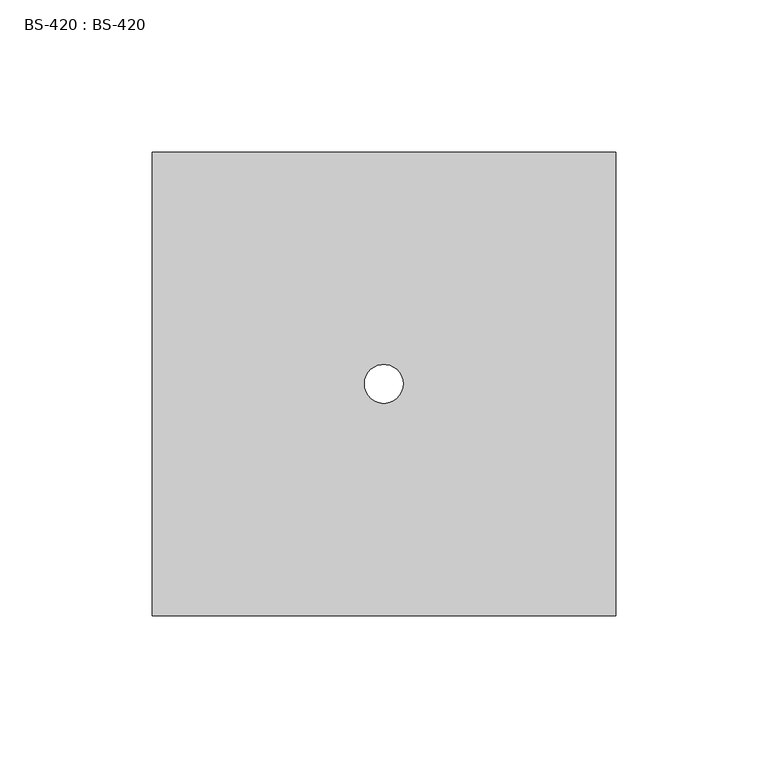
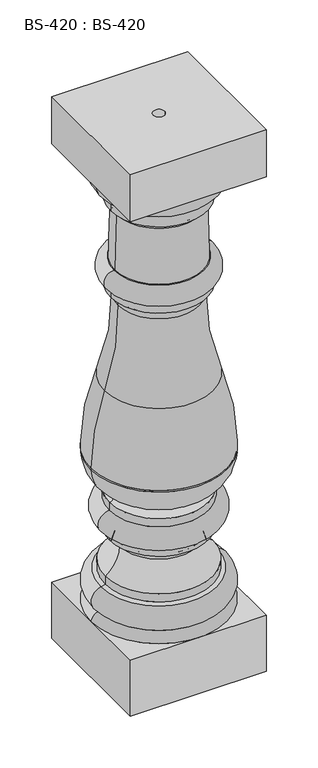
"""IFC4 building model written with IfcOpenShell, lengths in millimetres: proxy geometry, BS-420 : BS-420."""

from ifc_helpers import new_model, si_unit, point, frame, origin, place, context, project, spatial, polyline, circle_curve, ellipse_curve, trimmed, source, transform, mapped, element, save
from ifc_brep_helpers import plane_surface, cylinder_surface, revolved_surface, advanced_brep


def bs_420_bs_420_02cc33e7(model_context):
    return source(origin(), model_context, "Body", "AdvancedBrep", [
        advanced_brep(
        [(-76.2, -76.2, 585.7875), (76.2, -76.2, 585.7875), (76.2, -76.2, 641.35), (-76.2, -76.2, 641.35), (-76.2, 76.2, 585.7875), (-76.2, 76.2, 641.35), (76.2, 76.2, 641.35), (76.2, 76.2, 585.7875), (71.4375, 0.0, 585.7875), (-71.4375, 0.0, 585.7875), (-6.35, 0.0, 641.35), (6.35, 0.0, 641.35), (6.35, 0.0, 0.0), (-6.35, 0.0, 0.0), (-71.4375, 0.0, 583.5382093), (71.4375, 0.0, 583.5382093), (53.975, 0.0, 557.2125), (-53.975, 0.0, 557.2125), (-66.675, 0.0, 75.40625), (66.675, 0.0, 75.40625), (76.2, 0.0, 66.675), (0.0, 76.2, 66.675), (-76.2, 0.0, 66.675), (0.0, -76.2, 66.675), (-66.675, 0.0, 76.2), (66.675, 0.0, 76.2), (-65.3271183, 0.0, 103.5438494), (65.3271183, 0.0, 103.5438494), (-60.325, 0.0, 104.775), (60.325, 0.0, 104.775), (-60.325, 0.0, 114.3), (60.325, 0.0, 114.3), (-44.45, 0.0, 144.4625), (44.45, 0.0, 144.4625), (-55.5625, 0.0, 155.575), (55.5625, 0.0, 155.575), (-55.5625, 0.0, 165.1), (55.5625, 0.0, 165.1), (-55.5625, 0.0, 190.5), (55.5625, 0.0, 190.5), (-55.5625, 0.0, 200.025), (55.5625, 0.0, 200.025), (-52.9093426, 0.0, 208.7425173), (52.9093426, 0.0, 208.7425173), (-58.1619423, 0.0, 212.2661363), (58.1619423, 0.0, 212.2661363), (-76.2, 0.0, 247.65), (76.2, 0.0, 247.65), (76.2, 0.0, 246.0874945), (-76.2, 0.0, 246.0874945), (-53.975, 0.0, 450.85), (53.975, 0.0, 450.85), (53.975, 0.0, 442.2026055), (-53.975, 0.0, 442.2026055), (-50.6015625, 0.0, 472.9571047), (50.6015625, 0.0, 472.9571047), (53.975, 0.0, 544.5125), (-53.975, 0.0, 544.5125), (-47.6268924, 0.0, 538.0074835), (47.6268924, 0.0, 538.0074835), (49.2153789, 0.0, 472.9571047), (-49.2153789, 0.0, 472.9571047), (-61.11875, 0.0, 334.16875), (61.11875, 0.0, 334.16875), (-45.9073354, 0.0, 429.8351947), (45.9073354, 0.0, 429.8351947), (-76.2, -76.2, 0.0), (76.2, -76.2, 0.0), (76.2, -76.2, 66.675), (-76.2, -76.2, 66.675), (-76.2, 76.2, 0.0), (-76.2, 76.2, 66.675), (76.2, 76.2, 66.675), (76.2, 76.2, 0.0)],
        [
            (0, 1),
            (1, 2),
            (2, 3),
            (3, 0),
            (4, 5),
            (5, 6),
            (6, 7),
            (7, 4),
            (0, 4),
            (7, 1),
            (8, 9, circle_curve(frame((0.0, 0.0, 585.7875), z_axis=(0.0, 0.0, 1.0), x_axis=(1.0, 0.0, 0.0)), 71.4375)),
            (9, 8, circle_curve(frame((0.0, 0.0, 585.7875), z_axis=(0.0, 0.0, 1.0), x_axis=(1.0, 0.0, 0.0)), 71.4375)),
            (6, 2),
            (5, 3),
            (10, 11, circle_curve(frame((0.0, 0.0, 641.35), z_axis=(0.0, 0.0, -1.0), x_axis=(1.0, 0.0, 0.0)), 6.35)),
            (11, 10, circle_curve(frame((0.0, 0.0, 641.35), z_axis=(0.0, 0.0, -1.0), x_axis=(1.0, 0.0, 0.0)), 6.35)),
            (12, 11),
            (10, 13),
            (13, 12, circle_curve(frame((0.0, 0.0, 0.0), z_axis=(0.0, 0.0, -1.0), x_axis=(1.0, 0.0, 0.0)), 6.35)),
            (12, 13, circle_curve(frame((0.0, 0.0, 0.0), z_axis=(0.0, 0.0, -1.0), x_axis=(1.0, 0.0, 0.0)), 6.35)),
            (14, 15, circle_curve(frame((0.0, 0.0, 583.5382093), z_axis=(0.0, 0.0, -1.0), x_axis=(1.0, 0.0, 0.0)), 71.4375)),
            (15, 16, circle_curve(frame((42.8625, 0.0, 583.5382093), z_axis=(0.0, 1.0, 0.0), x_axis=(1.0, 0.0, 0.0)), 28.575)),
            (16, 17, circle_curve(frame((0.0, 0.0, 557.2125), z_axis=(0.0, 0.0, 1.0), x_axis=(1.0, 0.0, 0.0)), 53.975)),
            (17, 14, circle_curve(frame((-42.8625, 0.0, 583.5382093), z_axis=(0.0, 1.0, 0.0), x_axis=(-1.0, 0.0, 0.0)), 28.575)),
            (15, 14, circle_curve(frame((0.0, 0.0, 583.5382093), z_axis=(0.0, 0.0, -1.0), x_axis=(1.0, 0.0, 0.0)), 71.4375)),
            (17, 16, circle_curve(frame((0.0, 0.0, 557.2125), z_axis=(0.0, 0.0, 1.0), x_axis=(1.0, 0.0, 0.0)), 53.975)),
            (14, 9),
            (8, 15),
            (18, 19, circle_curve(frame((0.0, 0.0, 75.40625), z_axis=(0.0, 0.0, -1.0), x_axis=(1.0, 0.0, 0.0)), 66.675)),
            (19, 20, circle_curve(frame((65.8499207, 0.0, 64.9450839), z_axis=(0.0, 1.0, 0.0), x_axis=(0.07862651230865338, 0.0, 0.9969041436177187)), 10.4936529)),
            (20, 21, circle_curve(frame((0.0, 0.0, 66.675), z_axis=(0.0, 0.0, 1.0), x_axis=(1.0, 0.0, 0.0)), 76.2)),
            (21, 22, circle_curve(frame((0.0, 0.0, 66.675), z_axis=(0.0, 0.0, 1.0), x_axis=(1.0, 0.0, 0.0)), 76.2)),
            (22, 18, circle_curve(frame((-65.8499207, 0.0, 64.9450839), z_axis=(0.0, 1.0, 0.0), x_axis=(-0.07862651230865016, 0.0, 0.996904143617719)), 10.4936529)),
            (19, 18, circle_curve(frame((0.0, 0.0, 75.40625), z_axis=(0.0, 0.0, -1.0), x_axis=(1.0, 0.0, 0.0)), 66.675)),
            (22, 23, circle_curve(frame((0.0, 0.0, 66.675), z_axis=(0.0, 0.0, 1.0), x_axis=(1.0, 0.0, 0.0)), 76.2)),
            (23, 20, circle_curve(frame((0.0, 0.0, 66.675), z_axis=(0.0, 0.0, 1.0), x_axis=(1.0, 0.0, 0.0)), 76.2)),
            (18, 24),
            (24, 25, circle_curve(frame((0.0, 0.0, 76.2), z_axis=(0.0, 0.0, -1.0), x_axis=(1.0, 0.0, 0.0)), 66.675)),
            (25, 19),
            (25, 24, circle_curve(frame((0.0, 0.0, 76.2), z_axis=(0.0, 0.0, -1.0), x_axis=(1.0, 0.0, 0.0)), 66.675)),
            (24, 26, circle_curve(frame((-61.9125, 0.0, 89.6703842), z_axis=(0.0, 1.0, 0.0), x_axis=(-0.23899340562715518, 0.0, 0.9710211903283749)), 14.2875)),
            (26, 27, circle_curve(frame((0.0, 0.0, 103.5438494), z_axis=(0.0, 0.0, -1.0), x_axis=(1.0, 0.0, 0.0)), 65.3271183)),
            (27, 25, circle_curve(frame((61.9125, 0.0, 89.6703842), z_axis=(0.0, 1.0, 0.0), x_axis=(0.23899340562715835, 0.0, 0.9710211903283742)), 14.2875)),
            (27, 26, circle_curve(frame((0.0, 0.0, 103.5438494), z_axis=(0.0, 0.0, -1.0), x_axis=(1.0, 0.0, 0.0)), 65.3271183)),
            (26, 28),
            (28, 29, circle_curve(frame((0.0, 0.0, 104.775), z_axis=(0.0, 0.0, -1.0), x_axis=(1.0, 0.0, 0.0)), 60.325)),
            (29, 27),
            (29, 28, circle_curve(frame((0.0, 0.0, 104.775), z_axis=(0.0, 0.0, -1.0), x_axis=(1.0, 0.0, 0.0)), 60.325)),
            (28, 30),
            (30, 31, circle_curve(frame((0.0, 0.0, 114.3), z_axis=(0.0, 0.0, -1.0), x_axis=(1.0, 0.0, 0.0)), 60.325)),
            (31, 29),
            (31, 30, circle_curve(frame((0.0, 0.0, 114.3), z_axis=(0.0, 0.0, -1.0), x_axis=(1.0, 0.0, 0.0)), 60.325)),
            (30, 32, circle_curve(frame((-81.041875, 0.0, 144.4625), z_axis=(0.0, -1.0, 0.0), x_axis=(-1.0, 0.0, 0.0)), 36.591875)),
            (32, 33, circle_curve(frame((0.0, 0.0, 144.4625), z_axis=(0.0, 0.0, -1.0), x_axis=(1.0, 0.0, 0.0)), 44.45)),
            (33, 31, circle_curve(frame((81.041875, 0.0, 144.4625), z_axis=(0.0, -1.0, 0.0), x_axis=(1.0, 0.0, 0.0)), 36.591875)),
            (33, 32, circle_curve(frame((0.0, 0.0, 144.4625), z_axis=(0.0, 0.0, -1.0), x_axis=(1.0, 0.0, 0.0)), 44.45)),
            (32, 34, circle_curve(frame((-55.5625, 0.0, 144.4625), z_axis=(0.0, -1.0, 0.0), x_axis=(1.5594569120853752e-11, 0.0, 1.0)), 11.1125)),
            (34, 35, circle_curve(frame((0.0, 0.0, 155.575), z_axis=(0.0, 0.0, -1.0), x_axis=(1.0, 0.0, 0.0)), 55.5625)),
            (35, 33, circle_curve(frame((55.5625, 0.0, 144.4625), z_axis=(0.0, -1.0, 0.0), x_axis=(-1.5591337744913756e-11, 0.0, 1.0)), 11.1125)),
            (35, 34, circle_curve(frame((0.0, 0.0, 155.575), z_axis=(0.0, 0.0, -1.0), x_axis=(1.0, 0.0, 0.0)), 55.5625)),
            (34, 36),
            (36, 37, circle_curve(frame((0.0, 0.0, 165.1), z_axis=(0.0, 0.0, -1.0), x_axis=(1.0, 0.0, 0.0)), 55.5625)),
            (37, 35),
            (37, 36, circle_curve(frame((0.0, 0.0, 165.1), z_axis=(0.0, 0.0, -1.0), x_axis=(1.0, 0.0, 0.0)), 55.5625)),
            (36, 38, circle_curve(frame((-55.5625, 0.0, 177.8), z_axis=(0.0, 1.0, 0.0), x_axis=(0.0, 0.0, 1.0)), 12.7)),
            (38, 39, circle_curve(frame((0.0, 0.0, 190.5), z_axis=(0.0, 0.0, -1.0), x_axis=(1.0, 0.0, 0.0)), 55.5625)),
            (39, 37, circle_curve(frame((55.5625, 0.0, 177.8), z_axis=(0.0, 1.0, 0.0), x_axis=(0.0, 0.0, 1.0)), 12.7)),
            (39, 38, circle_curve(frame((0.0, 0.0, 190.5), z_axis=(0.0, 0.0, -1.0), x_axis=(1.0, 0.0, 0.0)), 55.5625)),
            (38, 40),
            (40, 41, circle_curve(frame((0.0, 0.0, 200.025), z_axis=(0.0, 0.0, -1.0), x_axis=(1.0, 0.0, 0.0)), 55.5625)),
            (41, 39),
            (41, 40, circle_curve(frame((0.0, 0.0, 200.025), z_axis=(0.0, 0.0, -1.0), x_axis=(1.0, 0.0, 0.0)), 55.5625)),
            (40, 42, circle_curve(frame((-55.5625, 0.0, 204.7875), z_axis=(0.0, -1.0, 0.0), x_axis=(0.5570934256055582, 0.0, 0.8304498269896048)), 4.7625)),
            (42, 43, circle_curve(frame((0.0, 0.0, 208.7425173), z_axis=(0.0, 0.0, -1.0), x_axis=(1.0, 0.0, 0.0)), 52.9093426)),
            (43, 41, circle_curve(frame((55.5625, 0.0, 204.7875), z_axis=(0.0, -1.0, 0.0), x_axis=(-0.5570934256055555, 0.0, 0.8304498269896066)), 4.7625)),
            (43, 42, circle_curve(frame((0.0, 0.0, 208.7425173), z_axis=(0.0, 0.0, -1.0), x_axis=(1.0, 0.0, 0.0)), 52.9093426)),
            (42, 44),
            (44, 45, circle_curve(frame((0.0, 0.0, 212.2661363), z_axis=(0.0, 0.0, -1.0), x_axis=(1.0, 0.0, 0.0)), 58.1619423)),
            (45, 43),
            (45, 44, circle_curve(frame((0.0, 0.0, 212.2661363), z_axis=(0.0, 0.0, -1.0), x_axis=(1.0, 0.0, 0.0)), 58.1619423)),
            (46, 47, circle_curve(frame((0.0, 0.0, 247.65), z_axis=(0.0, 0.0, -1.0), x_axis=(1.0, 0.0, 0.0)), 76.2)),
            (47, 48),
            (48, 49, circle_curve(frame((0.0, 0.0, 246.0874945), z_axis=(0.0, 0.0, 1.0), x_axis=(1.0, 0.0, 0.0)), 76.2)),
            (49, 46),
            (47, 46, circle_curve(frame((0.0, 0.0, 247.65), z_axis=(0.0, 0.0, -1.0), x_axis=(1.0, 0.0, 0.0)), 76.2)),
            (49, 48, circle_curve(frame((0.0, 0.0, 246.0874945), z_axis=(0.0, 0.0, 1.0), x_axis=(1.0, 0.0, 0.0)), 76.2)),
            (50, 51, circle_curve(frame((0.0, 0.0, 450.85), z_axis=(0.0, 0.0, -1.0), x_axis=(1.0, 0.0, 0.0)), 53.975)),
            (51, 52),
            (52, 53, circle_curve(frame((0.0, 0.0, 442.2026055), z_axis=(0.0, 0.0, 1.0), x_axis=(1.0, 0.0, 0.0)), 53.975)),
            (53, 50),
            (51, 50, circle_curve(frame((0.0, 0.0, 450.85), z_axis=(0.0, 0.0, -1.0), x_axis=(1.0, 0.0, 0.0)), 53.975)),
            (53, 52, circle_curve(frame((0.0, 0.0, 442.2026055), z_axis=(0.0, 0.0, 1.0), x_axis=(1.0, 0.0, 0.0)), 53.975)),
            (50, 54, circle_curve(frame((-50.6015625, 0.0, 461.6461672), z_axis=(0.0, 1.0000000000000002, 0.0), x_axis=(-0.06660414290134899, 0.0, 0.9977794787168038)), 11.3109375)),
            (54, 55, circle_curve(frame((0.0, 0.0, 472.9571047), z_axis=(0.0, 0.0, -1.0), x_axis=(1.0, 0.0, 0.0)), 50.6015625)),
            (55, 51, circle_curve(frame((50.6015625, 0.0, 461.6461672), z_axis=(0.0, 1.0000000000000002, 0.0), x_axis=(0.0666041429013522, 0.0, 0.9977794787168036)), 11.3109375)),
            (55, 54, circle_curve(frame((0.0, 0.0, 472.9571047), z_axis=(0.0, 0.0, -1.0), x_axis=(1.0, 0.0, 0.0)), 50.6015625)),
            (16, 56),
            (56, 57, circle_curve(frame((0.0, 0.0, 544.5125), z_axis=(0.0, 0.0, 1.0), x_axis=(1.0, 0.0, 0.0)), 53.975)),
            (57, 17),
            (57, 56, circle_curve(frame((0.0, 0.0, 544.5125), z_axis=(0.0, 0.0, 1.0), x_axis=(1.0, 0.0, 0.0)), 53.975)),
            (58, 59, circle_curve(frame((0.0, 0.0, 538.0074835), z_axis=(0.0, 0.0, -1.0), x_axis=(1.0, 0.0, 0.0)), 47.6268924)),
            (59, 60),
            (60, 61, circle_curve(frame((0.0, 0.0, 472.9571047), z_axis=(0.0, 0.0, 1.0), x_axis=(1.0, 0.0, 0.0)), 49.2153789)),
            (61, 58),
            (59, 58, circle_curve(frame((0.0, 0.0, 538.0074835), z_axis=(0.0, 0.0, -1.0), x_axis=(1.0, 0.0, 0.0)), 47.6268924)),
            (61, 60, circle_curve(frame((0.0, 0.0, 472.9571047), z_axis=(0.0, 0.0, 1.0), x_axis=(1.0, 0.0, 0.0)), 49.2153789)),
            (56, 59, circle_curve(frame((53.975, 0.0, 538.1625), z_axis=(0.0, -1.0, 0.0), x_axis=(1.0, 0.0, 0.0)), 6.35)),
            (58, 57, circle_curve(frame((-53.975, 0.0, 538.1625), z_axis=(0.0, -1.0, 0.0), x_axis=(-1.0, 0.0, 0.0)), 6.35)),
            (54, 61),
            (60, 55),
            (44, 49, circle_curve(frame((-35.4734477, 0.0, 246.0874945), z_axis=(0.0, 1.0, 0.0), x_axis=(-1.0, 0.0, 0.0)), 40.7265523)),
            (48, 45, circle_curve(frame((35.4734477, 0.0, 246.0874945), z_axis=(0.0, 1.0, 0.0), x_axis=(1.0, 0.0, 0.0)), 40.7265523)),
            (46, 62, circle_curve(frame((179.5128289, 0.0, 247.65), z_axis=(0.0, 1.0, 0.0), x_axis=(-1.0, 0.0, 0.0)), 255.7128289)),
            (62, 63, circle_curve(frame((0.0, 0.0, 334.16875), z_axis=(0.0, 0.0, -1.0), x_axis=(1.0, 0.0, 0.0)), 61.11875)),
            (63, 47, circle_curve(frame((-179.5128289, 0.0, 247.65), z_axis=(0.0, 1.0, 0.0), x_axis=(1.0, 0.0, 0.0)), 255.7128289)),
            (63, 62, circle_curve(frame((0.0, 0.0, 334.16875), z_axis=(0.0, 0.0, -1.0), x_axis=(1.0, 0.0, 0.0)), 61.11875)),
            (62, 64, circle_curve(frame((-305.66652, 0.0, 422.095561), z_axis=(0.0, -1.0, 0.0), x_axis=(-1.0, 0.0, 0.0)), 259.8744618)),
            (64, 65, circle_curve(frame((0.0, 0.0, 429.8351947), z_axis=(0.0, 0.0, -1.0), x_axis=(1.0, 0.0, 0.0)), 45.9073354)),
            (65, 63, circle_curve(frame((305.66652, 0.0, 422.095561), z_axis=(0.0, -1.0, 0.0), x_axis=(1.0, 0.0, 0.0)), 259.8744618)),
            (65, 64, circle_curve(frame((0.0, 0.0, 429.8351947), z_axis=(0.0, 0.0, -1.0), x_axis=(1.0, 0.0, 0.0)), 45.9073354)),
            (52, 65, circle_curve(frame((60.0673029, 0.0, 429.4132925), z_axis=(0.0, -1.0, 0.0), x_axis=(1.0, 0.0, 0.0)), 14.1662515)),
            (64, 53, circle_curve(frame((-60.0673029, 0.0, 429.4132925), z_axis=(0.0, -1.0, 0.0), x_axis=(-1.0, 0.0, 0.0)), 14.1662515)),
            (66, 67),
            (67, 68),
            (68, 23),
            (23, 69),
            (69, 66),
            (70, 71),
            (71, 21),
            (21, 72),
            (72, 73),
            (73, 70),
            (66, 70),
            (73, 67),
            (72, 20),
            (20, 68),
            (71, 22),
            (22, 69),
        ],
        [
            plane_surface(frame((69.85, -76.2, 585.7875), z_axis=(0.0, -1.0, 0.0), x_axis=(1.0, 0.0, 0.0))),
            plane_surface(frame((69.85, 76.2, 585.7875), z_axis=(0.0, 1.0, 0.0), x_axis=(-1.0, 0.0, 0.0))),
            plane_surface(frame((-76.2, -76.2, 585.7875), z_axis=(0.0, 0.0, -1.0), x_axis=(0.0, 1.0, 0.0))),
            plane_surface(frame((76.2, -76.2, 585.7875), z_axis=(1.0, 0.0, 0.0), x_axis=(0.0, 1.0, 0.0))),
            plane_surface(frame((76.2, -76.2, 641.35), z_axis=(0.0, 0.0, 1.0), x_axis=(0.0, 1.0, 0.0))),
            plane_surface(frame((-76.2, -76.2, 641.35), z_axis=(-1.0, 0.0, 0.0), x_axis=(0.0, 1.0, 0.0))),
            revolved_surface(polyline([(6.35, 0.0, 0.0), (6.35, 0.0, 641.35)]), (0.0, 0.0, 641.35), (0.0, 0.0, -1.0)),
            revolved_surface(trimmed(ellipse_curve(frame((42.8625, 0.0, 583.5382093), z_axis=(0.0, -1.0, 0.0), x_axis=(1.0, 0.0, 0.0)), 28.575, 28.575), [point((53.975, 0.0, 557.2125))], [point((71.4375, 0.0, 583.5382093))], True, "CARTESIAN"), (0.0, 0.0, 585.7875), (0.0, 0.0, 1.0)),
            cylinder_surface(frame((0.0, 0.0, 585.7875), z_axis=(0.0, 0.0, 1.0), x_axis=(1.0, 0.0, 0.0)), 71.4375),
            revolved_surface(trimmed(ellipse_curve(frame((65.8499207, 0.0, 64.9450839), z_axis=(0.0, -1.0, 0.0), x_axis=(0.07862651230865338, 0.0, 0.9969041436177187)), 10.4936529, 10.4936529), [point((76.2, 0.0, 66.675))], [point((66.675, 0.0, 75.40625))], True, "CARTESIAN"), (0.0, 0.0, 585.7875), (0.0, 0.0, 1.0)),
            cylinder_surface(frame((0.0, 0.0, 585.7875), z_axis=(0.0, 0.0, 1.0), x_axis=(1.0, 0.0, 0.0)), 66.675),
            revolved_surface(trimmed(ellipse_curve(frame((61.9125, 0.0, 89.6703842), z_axis=(0.0, -1.0, 0.0), x_axis=(0.23899340562715835, 0.0, 0.9710211903283742)), 14.2875, 14.2875), [point((66.675, 0.0, 76.2))], [point((65.3271183, 0.0, 103.5438494))], True, "CARTESIAN"), (0.0, 0.0, 585.7875), (0.0, 0.0, 1.0)),
            revolved_surface(polyline([(65.3271183, 0.0, 103.5438494), (60.325, 0.0, 104.775)]), (0.0, 0.0, 585.7875), (0.0, 0.0, 1.0)),
            cylinder_surface(frame((0.0, 0.0, 585.7875), z_axis=(0.0, 0.0, 1.0), x_axis=(1.0, 0.0, 0.0)), 60.325),
            revolved_surface(trimmed(ellipse_curve(frame((81.041875, 0.0, 144.4625), z_axis=(0.0, 1.0, 0.0), x_axis=(1.0, 0.0, 0.0)), 36.591875, 36.591875), [point((60.325, 0.0, 114.3))], [point((44.45, 0.0, 144.4625))], True, "CARTESIAN"), (0.0, 0.0, 585.7875), (0.0, 0.0, 1.0)),
            revolved_surface(trimmed(ellipse_curve(frame((55.5625, 0.0, 144.4625), z_axis=(0.0, 1.0, 0.0), x_axis=(-1.5591337744913756e-11, 0.0, 1.0)), 11.1125, 11.1125), [point((44.45, 0.0, 144.4625))], [point((55.5625, 0.0, 155.575))], True, "CARTESIAN"), (0.0, 0.0, 585.7875), (0.0, 0.0, 1.0)),
            cylinder_surface(frame((0.0, 0.0, 585.7875), z_axis=(0.0, 0.0, 1.0), x_axis=(1.0, 0.0, 0.0)), 55.5625),
            revolved_surface(trimmed(ellipse_curve(frame((55.5625, 0.0, 177.8), z_axis=(0.0, -1.0, 0.0), x_axis=(0.0, 0.0, 1.0)), 12.7, 12.7), [point((55.5625, 0.0, 165.1))], [point((55.5625, 0.0, 190.5))], True, "CARTESIAN"), (0.0, 0.0, 585.7875), (0.0, 0.0, 1.0)),
            revolved_surface(trimmed(ellipse_curve(frame((55.5625, 0.0, 204.7875), z_axis=(0.0, 1.0, 0.0), x_axis=(-0.5570934256055555, 0.0, 0.8304498269896066)), 4.7625, 4.7625), [point((55.5625, 0.0, 200.025))], [point((52.9093426, 0.0, 208.7425173))], True, "CARTESIAN"), (0.0, 0.0, 585.7875), (0.0, 0.0, 1.0)),
            revolved_surface(polyline([(52.9093426, 0.0, 208.7425173), (58.1619423, 0.0, 212.2661363)]), (0.0, 0.0, 585.7875), (0.0, 0.0, 1.0)),
            cylinder_surface(frame((0.0, 0.0, 585.7875), z_axis=(0.0, 0.0, 1.0), x_axis=(1.0, 0.0, 0.0)), 76.2),
            cylinder_surface(frame((0.0, 0.0, 585.7875), z_axis=(0.0, 0.0, 1.0), x_axis=(1.0, 0.0, 0.0)), 53.975),
            revolved_surface(trimmed(ellipse_curve(frame((50.6015625, 0.0, 461.6461672), z_axis=(0.0, -1.0000000000000002, 0.0), x_axis=(0.0666041429013522, 0.0, 0.9977794787168036)), 11.3109375, 11.3109375), [point((53.975, 0.0, 450.85))], [point((50.6015625, 0.0, 472.9571047))], True, "CARTESIAN"), (0.0, 0.0, 585.7875), (0.0, 0.0, 1.0)),
            revolved_surface(polyline([(49.2153789, 0.0, 472.9571047), (47.6268924, 0.0, 538.0074835)]), (0.0, 0.0, 585.7875), (0.0, 0.0, 1.0)),
            revolved_surface(trimmed(ellipse_curve(frame((53.975, 0.0, 538.1625), z_axis=(0.0, 1.0, 0.0), x_axis=(1.0, 0.0, 0.0)), 6.35, 6.35), [point((47.6268924, 0.0, 538.0074835))], [point((53.975, 0.0, 544.5125))], True, "CARTESIAN"), (0.0, 0.0, 585.7875), (0.0, 0.0, 1.0)),
            plane_surface(frame((0.0, 0.0, 472.9571047), z_axis=(0.0, 0.0, 1.0), x_axis=(1.0, 0.0, 0.0))),
            revolved_surface(trimmed(ellipse_curve(frame((35.4734477, 0.0, 246.0874945), z_axis=(0.0, -1.0, 0.0), x_axis=(1.0, 0.0, 0.0)), 40.7265523, 40.7265523), [point((58.1619423, 0.0, 212.2661363))], [point((76.2, 0.0, 246.0874945))], True, "CARTESIAN"), (0.0, 0.0, 585.7875), (0.0, 0.0, 1.0)),
            revolved_surface(trimmed(ellipse_curve(frame((-179.5128289, 0.0, 247.65), z_axis=(0.0, -1.0, 0.0), x_axis=(1.0, 0.0, 0.0)), 255.7128289, 255.7128289), [point((76.2, 0.0, 247.65))], [point((61.11875, 0.0, 334.16875))], True, "CARTESIAN"), (0.0, 0.0, 585.7875), (0.0, 0.0, 1.0)),
            revolved_surface(trimmed(ellipse_curve(frame((305.66652, 0.0, 422.095561), z_axis=(0.0, 1.0, 0.0), x_axis=(1.0, 0.0, 0.0)), 259.8744618, 259.8744618), [point((61.11875, 0.0, 334.16875))], [point((45.9073354, 0.0, 429.8351947))], True, "CARTESIAN"), (0.0, 0.0, 585.7875), (0.0, 0.0, 1.0)),
            revolved_surface(trimmed(ellipse_curve(frame((60.0673029, 0.0, 429.4132925), z_axis=(0.0, 1.0, 0.0), x_axis=(1.0, 0.0, 0.0)), 14.1662515, 14.1662515), [point((45.9073354, 0.0, 429.8351947))], [point((53.975, 0.0, 442.2026055))], True, "CARTESIAN"), (0.0, 0.0, 585.7875), (0.0, 0.0, 1.0)),
            plane_surface(frame((69.85, -76.2, 0.0), z_axis=(0.0, -1.0, 0.0), x_axis=(1.0, 0.0, 0.0))),
            plane_surface(frame((69.85, 76.2, 0.0), z_axis=(0.0, 1.0, 0.0), x_axis=(-1.0, 0.0, 0.0))),
            plane_surface(frame((-76.2, -76.2, 0.0), z_axis=(0.0, 0.0, -1.0), x_axis=(0.0, 1.0, 0.0))),
            plane_surface(frame((76.2, -76.2, 0.0), z_axis=(1.0, 0.0, 0.0), x_axis=(0.0, 1.0, 0.0))),
            plane_surface(frame((76.2, -76.2, 66.675), z_axis=(0.0, 0.0, 1.0), x_axis=(0.0, 1.0, 0.0))),
            plane_surface(frame((-76.2, -76.2, 66.675), z_axis=(-1.0, 0.0, 0.0), x_axis=(0.0, 1.0, 0.0))),
        ],
        [
            (0, [[1, 2, 3, 4]]),
            (1, [[5, 6, 7, 8]]),
            (2, [[-1, 9, -8, 10], [11, 12]]),
            (3, [[-2, -10, -7, 13]]),
            (4, [[-3, -13, -6, 14], [15, 16]]),
            (5, [[-4, -14, -5, -9]]),
            (6, [[17, -15, 18, 19]]),
            (6, [[-17, 20, -18, -16]]),
            (7, [[21, 22, 23, 24]]),
            (7, [[-22, 25, -24, 26]]),
            (8, [[-21, 27, -11, 28]]),
            (8, [[-25, -28, -12, -27]]),
            (9, [[29, 30, 31, 32, 33]]),
            (9, [[-30, 34, -33, 35, 36]]),
            (10, [[-29, 37, 38, 39]]),
            (10, [[-34, -39, 40, -37]]),
            (11, [[-38, 41, 42, 43]]),
            (11, [[-40, -43, 44, -41]]),
            (12, [[-42, 45, 46, 47]]),
            (12, [[-44, -47, 48, -45]]),
            (13, [[-46, 49, 50, 51]]),
            (13, [[-48, -51, 52, -49]]),
            (14, [[-50, 53, 54, 55]]),
            (14, [[-52, -55, 56, -53]]),
            (15, [[-54, 57, 58, 59]]),
            (15, [[-56, -59, 60, -57]]),
            (16, [[-58, 61, 62, 63]]),
            (16, [[-60, -63, 64, -61]]),
            (17, [[-62, 65, 66, 67]]),
            (17, [[-64, -67, 68, -65]]),
            (16, [[-66, 69, 70, 71]]),
            (16, [[-68, -71, 72, -69]]),
            (18, [[-70, 73, 74, 75]]),
            (18, [[-72, -75, 76, -73]]),
            (19, [[-74, 77, 78, 79]]),
            (19, [[-76, -79, 80, -77]]),
            (20, [[81, 82, 83, 84]]),
            (20, [[-82, 85, -84, 86]]),
            (21, [[87, 88, 89, 90]]),
            (21, [[-88, 91, -90, 92]]),
            (22, [[-87, 93, 94, 95]]),
            (22, [[-91, -95, 96, -93]]),
            (21, [[-23, 97, 98, 99]]),
            (21, [[-26, -99, 100, -97]]),
            (23, [[101, 102, 103, 104]]),
            (23, [[-102, 105, -104, 106]]),
            (24, [[-98, 107, -101, 108]]),
            (24, [[-100, -108, -105, -107]]),
            (25, [[-94, 109, -103, 110]]),
            (25, [[-96, -110, -106, -109]]),
            (26, [[-78, 111, -83, 112]]),
            (26, [[-80, -112, -86, -111]]),
            (27, [[-81, 113, 114, 115]]),
            (27, [[-85, -115, 116, -113]]),
            (28, [[-114, 117, 118, 119]]),
            (28, [[-116, -119, 120, -117]]),
            (29, [[-89, 121, -118, 122]]),
            (29, [[-92, -122, -120, -121]]),
            (30, [[123, 124, 125, 126, 127]]),
            (31, [[128, 129, 130, 131, 132]]),
            (32, [[-123, 133, -132, 134], [-19, -20]]),
            (33, [[-124, -134, -131, 135, 136]]),
            (34, [[-135, -130, -31]]),
            (34, [[-136, -36, -125]]),
            (34, [[137, -32, -129]]),
            (34, [[138, -126, -35]]),
            (35, [[-127, -138, -137, -128, -133]]),
        ],
    ),
    ])


if __name__ == "__main__":
    model = new_model("IFC4")
    model_context = context("Model", 3, world=origin())
    ifc_project = project(units=[si_unit("LENGTHUNIT", "METRE", prefix="MILLI")], contexts=[model_context])
    site = spatial("IfcSite", under=ifc_project)
    building = spatial("IfcBuilding", under=site)
    placement = place(None, origin())
    bs_420_bs_420_shape = bs_420_bs_420_02cc33e7(model_context)
    element("IfcBuildingElementProxy", 1, Name="BS-420 : BS-420", ObjectType="BS-420 : BS-420", at=placement, inside=building, context=model_context, shape_type="MappedRepresentation", body=[
        mapped(bs_420_bs_420_shape, transform((0.0, 0.0, 0.0), x_axis=(1.0, 0.0, 0.0), y_axis=(0.0, 1.0, 0.0), z_axis=(0.0, 0.0, 1.0))),
    ])
    save(model, "model.ifc")
